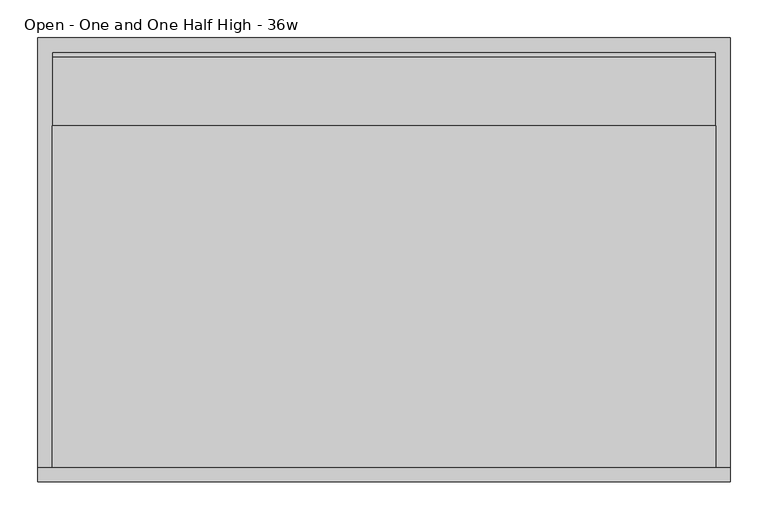
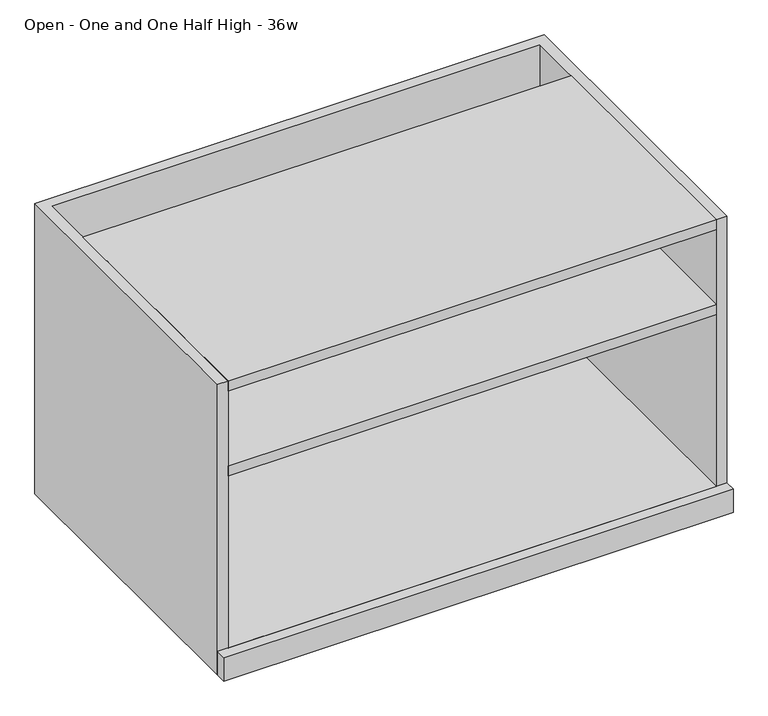
"""IFC4 building model written with IfcOpenShell, lengths in millimetres: furniture geometry, Open - One and One Half High - 36w."""

from ifc_helpers import new_model, si_unit, frame, origin, origin_with_axes, place, context, project, spatial, polyline, outline, extrude, source, transform, mapped, element, save


def open_one_and_one_half_high_36w_838aa254(model_context):
    return source(origin(), model_context, "Body", "SweptSolid", [
        extrude(outline(polyline([(515.9375, -120.65), (515.9375, -666.75), (-357.1875, -666.75), (-357.1875, -120.65), (515.9375, -120.65)])), origin_with_axes(), (0.0, 0.0, 1.0), 44.45),
        extrude(outline(polyline([(515.9375, -127.0), (515.9375, -666.75), (-357.1875, -666.75), (-357.1875, -127.0), (515.9375, -127.0)])), frame((0.0, 0.0, 369.8875), z_axis=(0.0, 0.0, 1.0), x_axis=(1.0, 0.0, 0.0)), (0.0, 0.0, 1.0), 19.05),
        extrude(outline(polyline([(534.9875, -666.75), (534.9875, -685.8), (-376.2375, -685.8), (-376.2375, -666.75), (534.9875, -666.75)])), origin_with_axes(), (0.0, 0.0, 1.0), 44.45),
        extrude(outline(polyline([(515.9375, -217.4875), (515.9375, -666.75), (-357.1875, -666.75), (-357.1875, -217.4875), (515.9375, -217.4875)])), frame((0.0, 0.0, 530.225), z_axis=(0.0, 0.0, 1.0), x_axis=(1.0, 0.0, 0.0)), (0.0, 0.0, 1.0), 19.05),
        extrude(outline(polyline([(534.9875, -101.6), (534.9875, -666.75), (515.9375, -666.75), (515.9375, -120.65), (-357.1875, -120.65), (-357.1875, -666.75), (-376.2375, -666.75), (-376.2375, -101.6), (534.9875, -101.6)])), origin_with_axes(), (0.0, 0.0, 1.0), 549.275),
    ])


if __name__ == "__main__":
    model = new_model("IFC4")
    model_context = context("Model", 3, world=origin())
    ifc_project = project(units=[si_unit("LENGTHUNIT", "METRE", prefix="MILLI")], contexts=[model_context])
    site = spatial("IfcSite", under=ifc_project)
    building = spatial("IfcBuilding", under=site)
    placement = place(None, origin())
    open_one_and_one_half_high_36w_shape = open_one_and_one_half_high_36w_838aa254(model_context)
    element("IfcFurniture", 1, ObjectType="Open - One and One Half High - 36w", at=placement, inside=building, context=model_context, shape_type="MappedRepresentation", body=[
        mapped(open_one_and_one_half_high_36w_shape, transform((0.0, 0.0, 0.0), x_axis=(1.0, 0.0, 0.0), y_axis=(0.0, 1.0, 0.0), z_axis=(0.0, 0.0, 1.0))),
    ])
    save(model, "model.ifc")
